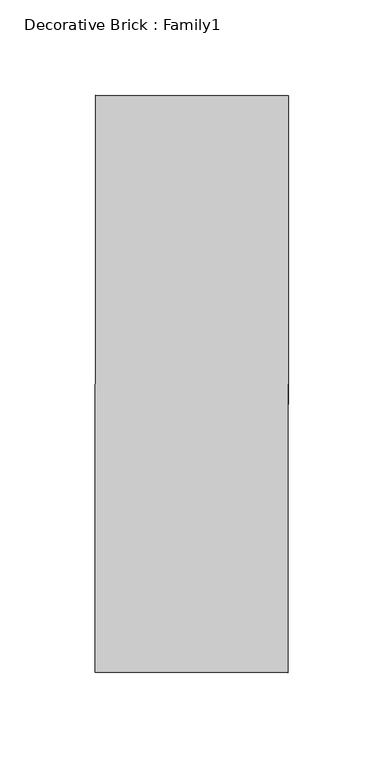
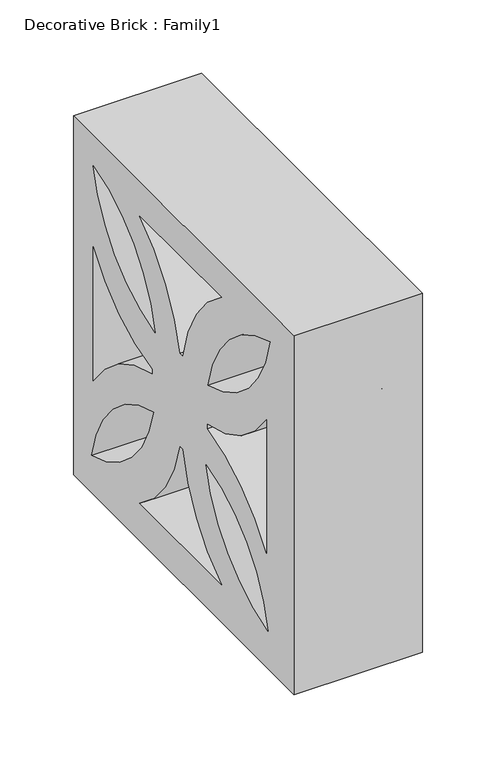
"""IFC4 building model written with IfcOpenShell, lengths in millimetres: geographic element geometry, Decorative Brick : Family1."""

from ifc_helpers import new_model, si_unit, point, frame, frame_2d, origin, place, context, project, spatial, polyline, circle_curve, trimmed, segment, composite_curve, outline, extrude, source, transform, mapped, element, save


def decorative_brick_family1_29ef5a99(model_context):
    return source(origin(), model_context, "Body", "SweptSolid", [
        extrude(outline(polyline([(0.0, 0.0), (299.7382529, 0.0), (299.7382529, -302.4509796), (0.0, -302.4509796), (0.0, 0.0)]), holes=[composite_curve([segment(trimmed(circle_curve(frame_2d((3.9560752, -165.4624966)), 111.9114516), [point((25.4079408, -275.2986949))], [point((113.068462, -190.3353746))], True, "CARTESIAN"), True, "CONTINUOUS"), segment(trimmed(circle_curve(frame_2d((137.2039283, -302.940366)), 115.1625147), [point((113.068462, -190.3353746))], [point((25.4079408, -275.2986949))], True, "CARTESIAN"), True, "CONTINUOUS")], self_intersect=False), composite_curve([segment(trimmed(circle_curve(frame_2d((137.2039283, -5.5789923)), 115.1625147), [point((25.4079408, -33.2206633))], [point((113.068462, -118.1839837))], True, "CARTESIAN"), True, "CONTINUOUS"), segment(trimmed(circle_curve(frame_2d((3.9560752, -143.0568617)), 111.9114516), [point((113.068462, -118.1839837))], [point((25.4079408, -33.2206633))], True, "CARTESIAN"), True, "CONTINUOUS")], self_intersect=False), composite_curve([segment(trimmed(circle_curve(frame_2d((156.7586594, -305.4403659)), 115.1625147), [point((268.5546469, -277.7986949))], [point((180.8941257, -192.8353747))], True, "CARTESIAN"), True, "CONTINUOUS"), segment(trimmed(circle_curve(frame_2d((290.0065125, -167.9624966)), 111.9114516), [point((180.8941257, -192.8353747))], [point((268.5546469, -277.7986949))], True, "CARTESIAN"), True, "CONTINUOUS")], self_intersect=False), composite_curve([segment(trimmed(circle_curve(frame_2d((290.0065125, -145.5568616)), 111.9114516), [point((268.5546469, -35.7206633))], [point((180.8941257, -120.6839836))], True, "CARTESIAN"), True, "CONTINUOUS"), segment(trimmed(circle_curve(frame_2d((156.7586594, -8.0789924)), 115.1625147), [point((180.8941257, -120.6839836))], [point((268.5546469, -35.7206633))], True, "CARTESIAN"), True, "CONTINUOUS")], self_intersect=False), composite_curve([segment(trimmed(circle_curve(frame_2d((25.9977875, -139.8022232)), 121.9242721), [point((93.1533573, -38.039472))], [point((146.1097354, -118.8582957))], False, "CARTESIAN"), True, "CONTINUOUS"), segment(polyline([(146.1097354, -118.8582957), (149.8184497, -118.8582957)]), True, "CONTINUOUS"), segment(trimmed(circle_curve(frame_2d((276.7955592, -146.2518304)), 129.8983913), [point((149.8184497, -118.8582957))], [point((204.9368259, -38.039472))], False, "CARTESIAN"), True, "CONTINUOUS"), segment(polyline([(204.9368259, -38.039472), (93.1533573, -38.039472)]), True, "CONTINUOUS")], self_intersect=False), composite_curve([segment(polyline([(93.1533573, -275.4388794), (204.9368259, -275.4388794)]), True, "CONTINUOUS"), segment(trimmed(circle_curve(frame_2d((276.7955592, -167.226521)), 129.8983913), [point((204.9368259, -275.4388794))], [point((149.8184497, -194.6200557))], False, "CARTESIAN"), True, "CONTINUOUS"), segment(polyline([(149.8184497, -194.6200557), (146.1097354, -194.6200557)]), True, "CONTINUOUS"), segment(trimmed(circle_curve(frame_2d((25.9977875, -173.6761281)), 121.9242721), [point((146.1097354, -194.6200557))], [point((93.1533573, -275.4388794))], False, "CARTESIAN"), True, "CONTINUOUS")], self_intersect=False), composite_curve([segment(polyline([(28.8406197, -99.8525279), (28.8406197, -211.6359963)]), True, "CONTINUOUS"), segment(trimmed(circle_curve(frame_2d((137.0529782, -283.4947297)), 129.8983913), [point((28.8406197, -211.6359963))], [point((109.6594434, -156.5176202))], False, "CARTESIAN"), True, "CONTINUOUS"), segment(polyline([(109.6594434, -156.5176202), (109.6594434, -152.8089058)]), True, "CONTINUOUS"), segment(trimmed(circle_curve(frame_2d((130.603371, -32.696958)), 121.9242721), [point((109.6594434, -152.8089058))], [point((28.8406197, -99.8525279))], False, "CARTESIAN"), True, "CONTINUOUS")], self_intersect=False), composite_curve([segment(trimmed(circle_curve(frame_2d((166.7668569, -32.696958)), 121.9242721), [point((268.5296082, -99.8525279))], [point((187.7107845, -152.8089058))], False, "CARTESIAN"), True, "CONTINUOUS"), segment(polyline([(187.7107845, -152.8089058), (187.7107845, -156.5176202)]), True, "CONTINUOUS"), segment(trimmed(circle_curve(frame_2d((160.3172497, -283.4947297)), 129.8983913), [point((187.7107845, -156.5176202))], [point((268.5296082, -211.6359963))], False, "CARTESIAN"), True, "CONTINUOUS"), segment(polyline([(268.5296082, -211.6359963), (268.5296082, -99.8525279)]), True, "CONTINUOUS")], self_intersect=False)]), frame((50.2973091, -151.2613045, 300.0), z_axis=(-0.9999994596999081, 0.0010395190676600963, 0.0), x_axis=(0.0, 0.0, -1.0)), (0.0, 0.0, 1.0), 101.0958989),
    ])


if __name__ == "__main__":
    model = new_model("IFC4")
    model_context = context("Model", 3, world=origin())
    ifc_project = project(units=[si_unit("LENGTHUNIT", "METRE", prefix="MILLI")], contexts=[model_context])
    site = spatial("IfcSite", under=ifc_project)
    building = spatial("IfcBuilding", under=site)
    placement = place(None, origin())
    decorative_brick_family1_shape = decorative_brick_family1_29ef5a99(model_context)
    element("IfcGeographicElement", 1, ObjectType="Decorative Brick : Family1", at=placement, inside=building, context=model_context, shape_type="MappedRepresentation", body=[
        mapped(decorative_brick_family1_shape, transform((0.0, 0.0, 0.0), x_axis=(1.0, 0.0, 0.0), y_axis=(0.0, 1.0, 0.0), z_axis=(0.0, 0.0, 1.0))),
    ])
    save(model, "model.ifc")
